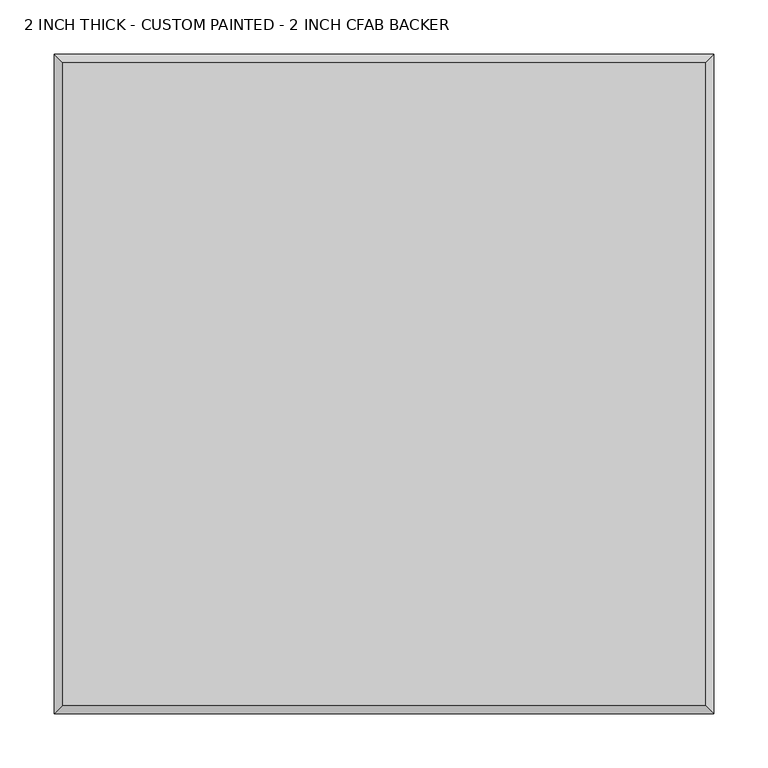
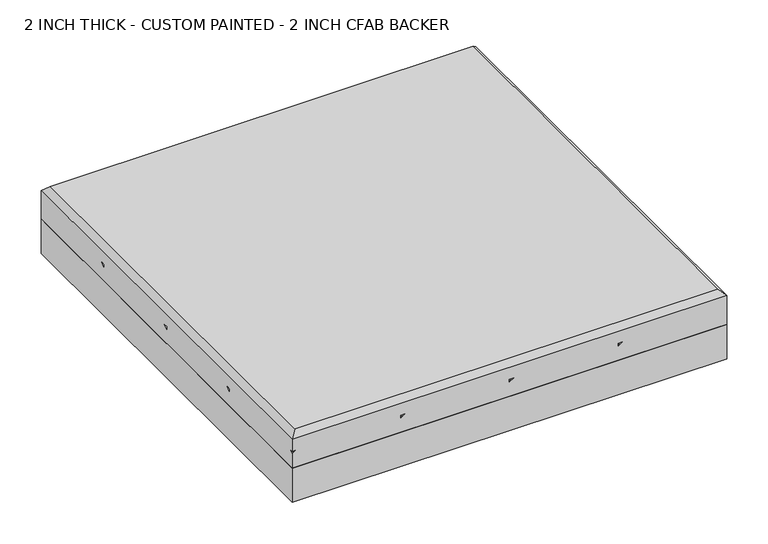
"""IFC4 building model written with IfcOpenShell, lengths in millimetres: proxy geometry, 2 INCH THICK - CUSTOM PAINTED - 2 INCH CFAB BACKER."""

from ifc_helpers import new_model, si_unit, frame, origin, place, context, project, spatial, polyline, outline, extrude, faceted_brep, source, transform, mapped, element, save


def proxy_2_inch_thick_custom_painted_2_inch_cfab_backer_878919ca(model_context):
    return source(origin(), model_context, "Body", "SolidModel", [
        extrude(outline(polyline([(-304.8, 304.8), (304.8, 304.8), (304.8, -304.8), (-304.8, -304.8), (-304.8, 304.8)])), frame((0.0, 0.0, -50.8), z_axis=(0.0, 0.0, 1.0), x_axis=(1.0, 0.0, 0.0)), (0.0, 0.0, 1.0), 50.8),
        faceted_brep([(296.799, 296.799, 50.8), (-296.799, 296.799, 50.8), (-296.799, -296.799, 50.8), (296.799, -296.799, 50.8), (-304.8, 304.8, 0.0), (304.8, 304.8, 0.0), (304.8, -304.8, 0.0), (-304.8, -304.8, 0.0), (-304.8, -304.8, 21.3995359), (-304.8, -299.1424894, 25.4), (-304.8, -304.8, 25.4), (-304.8, -304.8, 42.799), (-304.8, 304.8, 42.799), (-304.8, -152.3999238, 21.3996078), (-304.8, -146.7425148, 25.4), (-304.8, -152.3999238, 25.4), (-304.8, 7.62e-05, 21.3996078), (-304.8, 5.6574852, 25.4), (-304.8, 7.62e-05, 25.4), (-304.8, 152.4000762, 21.3996078), (-304.8, 158.0574852, 25.4), (-304.8, 152.4000762, 25.4), (304.8, -304.8, 42.799), (-299.1423878, -304.8, 25.4), (-146.7424132, -304.8, 25.4), (-152.3999577, -304.8, 21.399512), (-152.3999238, -304.8, 25.4), (5.6575868, -304.8, 25.4), (4.23e-05, -304.8, 21.399512), (7.62e-05, -304.8, 25.4), (158.0575868, -304.8, 25.4), (152.4000423, -304.8, 21.399512), (152.4000762, -304.8, 25.4), (304.8, 304.8, 21.3995359), (304.8, 299.1423878, 25.4), (304.8, 304.8, 25.4), (304.8, 304.8, 42.799), (304.8, 152.4000762, 25.4), (304.8, 152.4000762, 21.3995), (304.8, 146.7424132, 25.4), (304.8, 7.62e-05, 25.4), (304.8, 7.62e-05, 21.3995), (304.8, -5.6575868, 25.4), (304.8, -152.3999238, 25.4), (304.8, -152.3999238, 21.3995), (304.8, -158.0575868, 25.4), (299.1424894, 304.8, 25.4), (152.4000762, 304.8, 21.3995), (152.4000762, 304.8, 25.4), (146.7425148, 304.8, 25.4), (7.62e-05, 304.8, 21.3995), (7.62e-05, 304.8, 25.4), (-5.6574852, 304.8, 25.4), (-152.3999238, 304.8, 21.3995), (-152.3999238, 304.8, 25.4), (-158.0574852, 304.8, 25.4), (301.9712701, 155.2288061, 25.4), (-155.2287299, -301.9711939, 25.4), (301.9712701, 2.8288061, 25.4), (-2.8287299, -301.9711939, 25.4), (301.9712701, -149.5711939, 25.4), (149.5712701, -301.9711939, 25.4), (155.2288569, 301.9712193, 25.4), (-301.9711431, -155.2287807, 25.4), (2.8288569, 301.9712193, 25.4), (-301.9711431, -2.8287807, 25.4), (-149.5711431, 301.9712193, 25.4), (-301.9711431, 149.5712193, 25.4)], [[[0, 1, 2, 3]], [[4, 5, 6, 7]], [[4, 7, 8, 9, 10, 11, 12], [13, 14, 15], [16, 17, 18], [19, 20, 21]], [[7, 6, 22, 11, 10, 23, 8], [24, 25, 26], [27, 28, 29], [30, 31, 32]], [[6, 5, 33, 34, 35, 36, 22], [37, 38, 39], [40, 41, 42], [43, 44, 45]], [[5, 4, 12, 36, 35, 46, 33], [47, 48, 49], [50, 51, 52], [53, 54, 55]], [[12, 1, 0, 36]], [[1, 12, 11, 2]], [[2, 11, 22, 3]], [[36, 0, 3, 22]], [[8, 33, 46, 9]], [[33, 8, 23, 34]], [[38, 56, 57, 25]], [[38, 25, 24, 39]], [[41, 58, 59, 28]], [[41, 28, 27, 42]], [[44, 60, 61, 31]], [[44, 31, 30, 45]], [[62, 47, 13, 63]], [[13, 47, 49, 14]], [[64, 50, 16, 65]], [[16, 50, 52, 17]], [[66, 53, 19, 67]], [[19, 53, 55, 20]], [[34, 23, 10, 9, 46, 35]], [[56, 38, 37]], [[57, 56, 37, 39, 24, 26]], [[25, 57, 26]], [[58, 41, 40]], [[59, 58, 40, 42, 27, 29]], [[28, 59, 29]], [[60, 44, 43]], [[61, 60, 43, 45, 30, 32]], [[31, 61, 32]], [[47, 62, 48]], [[62, 63, 15, 14, 49, 48]], [[63, 13, 15]], [[50, 64, 51]], [[64, 65, 18, 17, 52, 51]], [[65, 16, 18]], [[53, 66, 54]], [[66, 67, 21, 20, 55, 54]], [[67, 19, 21]]]),
    ])


if __name__ == "__main__":
    model = new_model("IFC4")
    model_context = context("Model", 3, world=origin())
    ifc_project = project(units=[si_unit("LENGTHUNIT", "METRE", prefix="MILLI")], contexts=[model_context])
    site = spatial("IfcSite", under=ifc_project)
    building = spatial("IfcBuilding", under=site)
    placement = place(None, origin())
    proxy_2_inch_thick_custom_painted_2_inch_cfab_backer_shape = proxy_2_inch_thick_custom_painted_2_inch_cfab_backer_878919ca(model_context)
    element("IfcBuildingElementProxy", 1, Name="2 INCH THICK - CUSTOM PAINTED - 2 INCH CFAB BACKER", ObjectType="2 INCH THICK - CUSTOM PAINTED - 2 INCH CFAB BACKER", at=placement, inside=building, context=model_context, shape_type="MappedRepresentation", body=[
        mapped(proxy_2_inch_thick_custom_painted_2_inch_cfab_backer_shape, transform((0.0, 0.0, 0.0), x_axis=(1.0, 0.0, 0.0), y_axis=(0.0, 1.0, 0.0), z_axis=(0.0, 0.0, 1.0))),
    ])
    save(model, "model.ifc")
